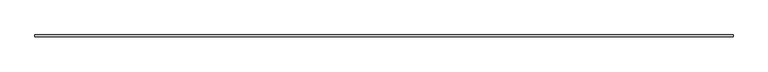
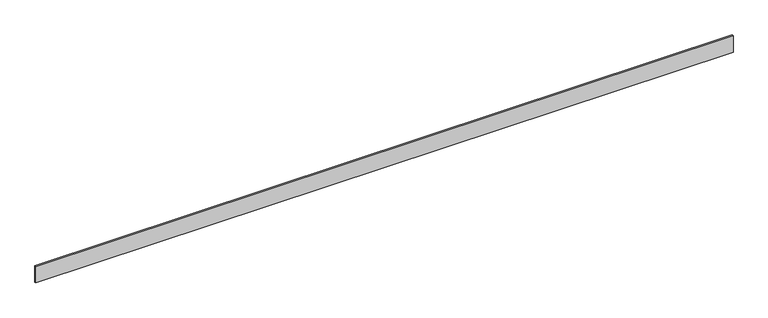
"""IFC4 building model written with IfcOpenShell, lengths in millimetres: furniture geometry."""

from ifc_helpers import new_model, si_unit, origin, origin_with_axes, place, context, project, spatial, polyline, outline, extrude, source, transform, mapped, element, save


def furniture_fc91f53f(model_context):
    return source(origin(), model_context, "Body", "SweptSolid", [
        extrude(outline(polyline([(0.0, 0.0), (0.0, 10.0), (4063.506971, 10.0), (4063.506971, 0.0), (0.0, 0.0)])), origin_with_axes(), (0.0, 0.0, 1.0), 100.0),
    ])


if __name__ == "__main__":
    model = new_model("IFC4")
    model_context = context("Model", 3, world=origin())
    ifc_project = project(units=[si_unit("LENGTHUNIT", "METRE", prefix="MILLI")], contexts=[model_context])
    site = spatial("IfcSite", under=ifc_project)
    building = spatial("IfcBuilding", under=site)
    placement = place(None, origin())
    furniture_shape = furniture_fc91f53f(model_context)
    element("IfcFurniture", 1, at=placement, inside=building, context=model_context, shape_type="MappedRepresentation", body=[
        mapped(furniture_shape, transform((0.0, 0.0, 0.0), x_axis=(1.0, 0.0, 0.0), y_axis=(0.0, 1.0, 0.0), z_axis=(0.0, 0.0, 1.0))),
    ])
    save(model, "model.ifc")
